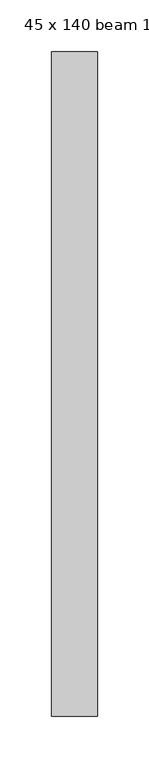
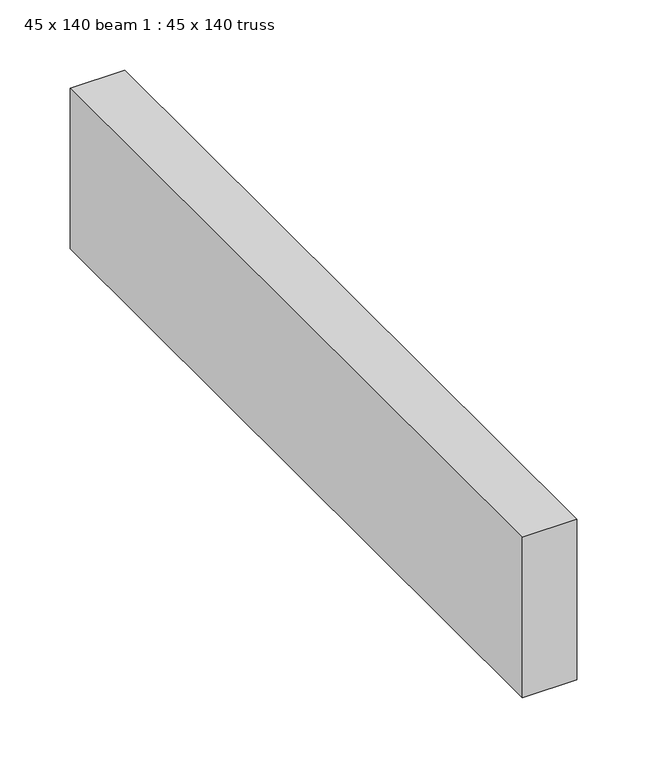
"""IFC4 building model written with IfcOpenShell, lengths in millimetres: proxy geometry, 45 x 140 beam 1 : 45 x 140 truss."""

from ifc_helpers import new_model, si_unit, frame, origin, place, context, project, spatial, polyline, outline, extrude, source, transform, mapped, element, save


def proxy_45_x_140_beam_1_45_x_140_truss_b04a410c(model_context):
    return source(origin(), model_context, "Body", "SweptSolid", [
        extrude(outline(polyline([(-11584.1372223, -1297.2639474), (-11629.1372223, -1297.2639474), (-11629.1372223, -652.2639474), (-11584.1372223, -652.2639474), (-11584.1372223, -1297.2639474)])), frame((0.0, 0.0, 3644.2452806), z_axis=(0.0, 0.0, 1.0), x_axis=(1.0, 0.0, 0.0)), (0.0, 0.0, 1.0), 140.0),
    ])


if __name__ == "__main__":
    model = new_model("IFC4")
    model_context = context("Model", 3, world=origin())
    ifc_project = project(units=[si_unit("LENGTHUNIT", "METRE", prefix="MILLI")], contexts=[model_context])
    site = spatial("IfcSite", under=ifc_project)
    building = spatial("IfcBuilding", under=site)
    placement = place(None, origin())
    proxy_45_x_140_beam_1_45_x_140_truss_shape = proxy_45_x_140_beam_1_45_x_140_truss_b04a410c(model_context)
    element("IfcBuildingElementProxy", 1, Name="45 x 140 beam 1 : 45 x 140 truss", ObjectType="45 x 140 beam 1 : 45 x 140 truss", at=placement, inside=building, context=model_context, shape_type="MappedRepresentation", body=[
        mapped(proxy_45_x_140_beam_1_45_x_140_truss_shape, transform((0.0, 0.0, 0.0), x_axis=(1.0, 0.0, 0.0), y_axis=(0.0, 1.0, 0.0), z_axis=(0.0, 0.0, 1.0))),
    ])
    save(model, "model.ifc")
